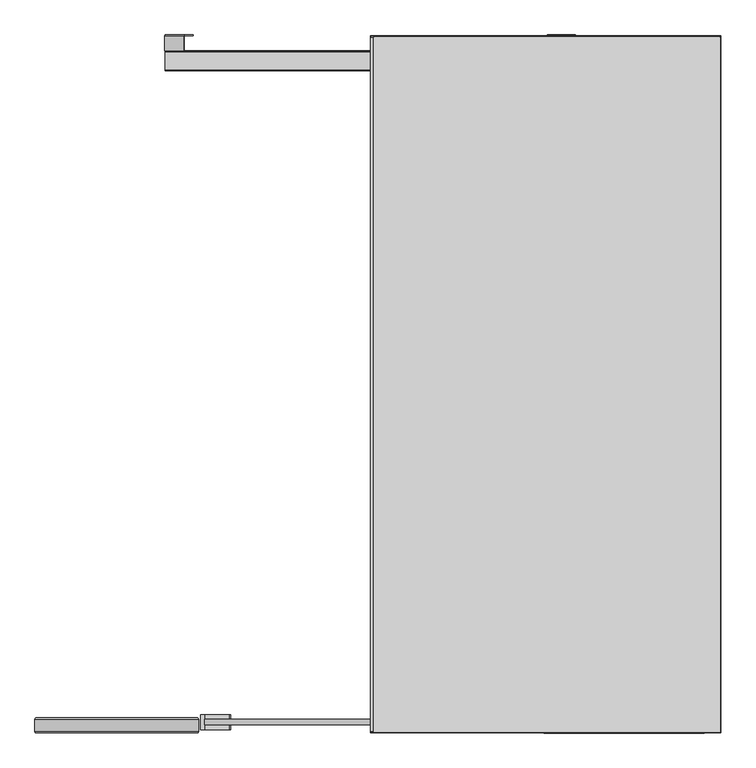
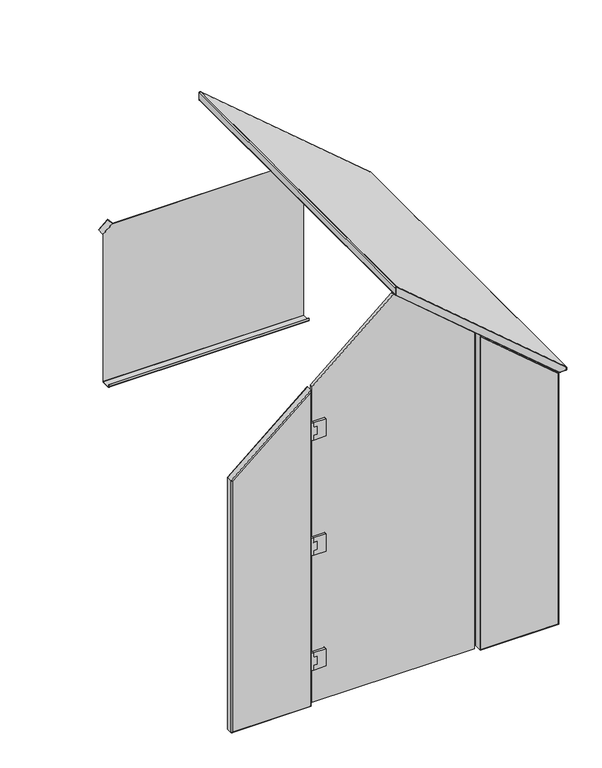
"""IFC4 building model written with IfcOpenShell, lengths in millimetres: furniture geometry."""

from ifc_helpers import new_model, si_unit, point, frame, frame_2d, origin, place, context, project, spatial, polyline, circle_curve, ellipse_curve, trimmed, segment, composite_curve, outline, extrude, source, transform, mapped, element, save
from ifc_brep_helpers import plane_surface, cylinder_surface, revolved_surface, advanced_brep


def furniture_7097f155(model_context):
    return source(origin(), model_context, "Body", "SolidModel", [
        extrude(outline(polyline([(1634.1839722, 494.999982), (1634.1839722, 485.000011), (1534.1839714, 485.000011), (1534.1839714, 494.999982), (1561.0249566, 494.999982), (1561.0249566, 514.049982), (1607.2315915, 514.049982), (1607.2315915, 494.999982), (1634.1839722, 494.999982)])), frame((0.0, -1861.05588, 0.0), z_axis=(0.0, 1.0, 0.0), x_axis=(0.0, 0.0, 1.0)), (0.0, 0.0, 1.0), 39.6999023),
        extrude(outline(composite_curve([segment(polyline([(1634.1839722, 495.6699629), (1607.3429688, 495.6699629), (1607.3429688, 514.9372272), (1561.0249566, 514.9372272), (1561.0249566, 495.4769877), (1534.1839714, 495.4769877), (1534.1839714, 562.9561634)]), True, "CONTINUOUS"), segment(trimmed(circle_curve(frame_2d((1536.227805, 562.9561634)), 2.0438336), [point((1534.1839714, 562.9561634))], [point((1536.227805, 564.999997))], False, "CARTESIAN"), True, "CONTINUOUS"), segment(polyline([(1536.227805, 564.999997), (1632.2628707, 564.999997)]), True, "CONTINUOUS"), segment(trimmed(circle_curve(frame_2d((1632.2628707, 563.0788956)), 1.9211014), [point((1632.2628707, 564.999997))], [point((1634.1839722, 563.0788956))], False, "CARTESIAN"), True, "CONTINUOUS"), segment(polyline([(1634.1839722, 563.0788956), (1634.1839722, 495.6699629)]), True, "CONTINUOUS")], self_intersect=False)), frame((0.0, -1861.05588, 0.0), z_axis=(0.0, 1.0, 0.0), x_axis=(0.0, 0.0, 1.0)), (0.0, 0.0, 1.0), 39.6999023),
        extrude(outline(polyline([(967.0839935, 494.999982), (967.0839935, 485.000011), (867.0839928, 485.000011), (867.0839928, 494.999982), (893.924978, 494.999982), (893.924978, 514.049982), (940.1316129, 514.049982), (940.1316129, 494.999982), (967.0839935, 494.999982)])), frame((0.0, -1861.05588, 0.0), z_axis=(0.0, 1.0, 0.0), x_axis=(0.0, 0.0, 1.0)), (0.0, 0.0, 1.0), 39.6999023),
        extrude(outline(composite_curve([segment(polyline([(967.0839935, 495.6699629), (940.2429902, 495.6699629), (940.2429902, 514.9372272), (893.924978, 514.9372272), (893.924978, 495.4769877), (867.0839928, 495.4769877), (867.0839928, 562.9561634)]), True, "CONTINUOUS"), segment(trimmed(circle_curve(frame_2d((869.1278264, 562.9561634)), 2.0438336), [point((867.0839928, 562.9561634))], [point((869.1278264, 564.999997))], False, "CARTESIAN"), True, "CONTINUOUS"), segment(polyline([(869.1278264, 564.999997), (965.1628921, 564.999997)]), True, "CONTINUOUS"), segment(trimmed(circle_curve(frame_2d((965.1628921, 563.0788956)), 1.9211014), [point((965.1628921, 564.999997))], [point((967.0839935, 563.0788956))], False, "CARTESIAN"), True, "CONTINUOUS"), segment(polyline([(967.0839935, 563.0788956), (967.0839935, 495.6699629)]), True, "CONTINUOUS")], self_intersect=False)), frame((0.0, -1861.05588, 0.0), z_axis=(0.0, 1.0, 0.0), x_axis=(0.0, 0.0, 1.0)), (0.0, 0.0, 1.0), 39.6999023),
        extrude(outline(polyline([(300.7840024, 494.999982), (300.7840024, 485.000011), (200.7840016, 485.000011), (200.7840016, 494.999982), (227.6249868, 494.999982), (227.6249868, 514.049982), (273.8316217, 514.049982), (273.8316217, 494.999982), (300.7840024, 494.999982)])), frame((0.0, -1861.05588, 0.0), z_axis=(0.0, 1.0, 0.0), x_axis=(0.0, 0.0, 1.0)), (0.0, 0.0, 1.0), 39.6999023),
        extrude(outline(composite_curve([segment(polyline([(300.7840024, 495.6699629), (273.942999, 495.6699629), (273.942999, 514.9372272), (227.6249868, 514.9372272), (227.6249868, 495.4769877), (200.7840016, 495.4769877), (200.7840016, 562.9561634)]), True, "CONTINUOUS"), segment(trimmed(circle_curve(frame_2d((202.8278352, 562.9561634)), 2.0438336), [point((200.7840016, 562.9561634))], [point((202.8278352, 564.999997))], False, "CARTESIAN"), True, "CONTINUOUS"), segment(polyline([(202.8278352, 564.999997), (298.862901, 564.999997)]), True, "CONTINUOUS"), segment(trimmed(circle_curve(frame_2d((298.862901, 563.0788956)), 1.9211014), [point((298.862901, 564.999997))], [point((300.7840024, 563.0788956))], False, "CARTESIAN"), True, "CONTINUOUS"), segment(polyline([(300.7840024, 563.0788956), (300.7840024, 495.6699629)]), True, "CONTINUOUS")], self_intersect=False)), frame((0.0, -1861.05588, 0.0), z_axis=(0.0, 1.0, 0.0), x_axis=(0.0, 0.0, 1.0)), (0.0, 0.0, 1.0), 39.6999023),
        extrude(outline(polyline([(1837.0140335, 495.4769877), (5.7679999, 495.4769877), (5.7679999, 1385.0000542), (1836.6070816, 1385.0000542), (2216.4800995, 940.0001877), (1837.0140335, 495.4769877)])), frame((0.0, -1848.705035, 0.0), z_axis=(0.0, 1.0, 0.0), x_axis=(0.0, 0.0, 1.0)), (0.0, 0.0, 1.0), 15.0410877),
        advanced_brep(
        [(1831.5524425, -1833.64016, 1456.7960191), (1835.5211925, -1829.67141, 1458.6340644), (1835.5211925, -1829.67141, 3.96875), (1831.5524425, -1833.64016, 7.9375), (1831.5524425, -1866.18391, 1456.7960191), (1831.5524425, -1866.18391, 7.9375), (1835.5211925, -1870.15266, 1458.6340644), (1835.5211925, -1870.15266, 3.96875), (1405.0003718, -1829.67141, 3.96875), (1408.9691218, -1833.64016, 7.9375), (1408.9691218, -1866.18391, 7.9375), (1405.0003718, -1870.15266, 3.96875), (1405.0003718, -1829.67141, 1823.735859), (1408.9691218, -1833.64016, 1815.1664424), (1408.9691218, -1866.18391, 1815.1664424), (1405.0003718, -1870.15266, 1823.735859)],
        [
            (0, 1, ellipse_curve(frame((1835.5211925, -1833.64016, 1458.6340644), z_axis=(0.4202480388981601, 0.0, -0.9074092713887435), x_axis=(0.9074092713887433, 0.0, 0.42024803889816065)), 4.3737155, 3.96875)),
            (1, 2),
            (2, 3, ellipse_curve(frame((1835.5211925, -1833.64016, 3.96875), z_axis=(0.7071067811865481, 0.0, 0.7071067811865469), x_axis=(-0.7071067811865469, 0.0, 0.707106781186548)), 5.6126601, 3.96875)),
            (3, 0),
            (4, 0),
            (3, 5),
            (5, 4),
            (6, 4, ellipse_curve(frame((1835.5211925, -1866.18391, 1458.6340644), z_axis=(0.4202480388981601, 0.0, -0.9074092713887435), x_axis=(0.9074092713887433, 0.0, 0.42024803889816065)), 4.3737155, 3.96875)),
            (5, 7, ellipse_curve(frame((1835.5211925, -1866.18391, 3.96875), z_axis=(0.7071067811865481, 0.0, 0.7071067811865469), x_axis=(-0.7071067811865469, 0.0, 0.707106781186548)), 5.6126601, 3.96875)),
            (7, 6),
            (1, 6),
            (7, 2),
            (2, 8),
            (8, 9, ellipse_curve(frame((1405.0003718, -1833.64016, 3.96875), z_axis=(0.7071067811865464, 0.0, -0.7071067811865487), x_axis=(0.7071067811865488, 0.0, 0.7071067811865464)), 5.6126601, 3.96875)),
            (9, 3),
            (9, 10),
            (10, 5),
            (10, 11, ellipse_curve(frame((1405.0003718, -1866.18391, 3.96875), z_axis=(0.7071067811865464, 0.0, -0.7071067811865487), x_axis=(0.7071067811865488, 0.0, 0.7071067811865464)), 5.6126601, 3.96875)),
            (11, 7),
            (11, 8),
            (8, 12),
            (12, 13, ellipse_curve(frame((1405.0003718, -1833.64016, 1823.735859), z_axis=(-0.9074092713887442, 0.0, -0.42024803889815926), x_axis=(0.4202480388981593, 0.0, -0.9074092713887438)), 9.4438275, 3.96875)),
            (13, 9),
            (13, 14),
            (14, 10),
            (14, 15, ellipse_curve(frame((1405.0003718, -1866.18391, 1823.735859), z_axis=(-0.9074092713887442, 0.0, -0.42024803889815926), x_axis=(0.4202480388981593, 0.0, -0.9074092713887438)), 9.4438275, 3.96875)),
            (15, 11),
            (15, 12),
            (12, 1),
            (0, 13),
            (4, 14),
            (6, 15),
        ],
        [
            cylinder_surface(frame((1835.5211925, -1833.64016, 1458.6340644), z_axis=(0.0, 0.0, 1.0), x_axis=(1.0, 0.0, 0.0)), 3.96875),
            plane_surface(frame((1831.5524425, -1833.64016, 1456.7960191), z_axis=(-1.0, 0.0, 0.0), x_axis=(0.0, 0.0, -1.0))),
            cylinder_surface(frame((1835.5211925, -1866.18391, 1458.6340644), z_axis=(0.0, 0.0, 1.0), x_axis=(1.0, 0.0, 0.0)), 3.96875),
            plane_surface(frame((1835.5211925, -1870.15266, 1458.6340644), z_axis=(1.0, 0.0, 0.0), x_axis=(0.0, 0.0, -1.0))),
            cylinder_surface(frame((1835.5211925, -1833.64016, 3.96875), z_axis=(1.0, 0.0, 0.0), x_axis=(0.0, 0.0, -1.0)), 3.96875),
            plane_surface(frame((1831.5524425, -1833.64016, 7.9375), z_axis=(0.0, 0.0, 1.0), x_axis=(-1.0, 0.0, 0.0))),
            cylinder_surface(frame((1835.5211925, -1866.18391, 3.96875), z_axis=(1.0, 0.0, 0.0), x_axis=(0.0, 0.0, -1.0)), 3.96875),
            plane_surface(frame((1835.5211925, -1870.15266, 3.96875), z_axis=(0.0, 0.0, -1.0), x_axis=(-1.0, 0.0, 0.0))),
            cylinder_surface(frame((1405.0003718, -1833.64016, 3.96875), z_axis=(0.0, 0.0, -1.0), x_axis=(-1.0, 0.0, 0.0)), 3.96875),
            plane_surface(frame((1408.9691218, -1833.64016, 7.9375), z_axis=(1.0, 0.0, 0.0), x_axis=(0.0, 0.0, 1.0))),
            cylinder_surface(frame((1405.0003718, -1866.18391, 3.96875), z_axis=(0.0, 0.0, -1.0), x_axis=(-1.0, 0.0, 0.0)), 3.96875),
            plane_surface(frame((1405.0003718, -1870.15266, 3.96875), z_axis=(-1.0, 0.0, 0.0), x_axis=(0.0, 0.0, 1.0))),
            cylinder_surface(frame((1405.0003718, -1833.64016, 1823.735859), z_axis=(-0.7626739335582567, 0.0, 0.6467831716044999), x_axis=(0.6467831716044999, 0.0, 0.7626739335582567)), 3.96875),
            plane_surface(frame((1408.9691218, -1833.64016, 1815.1664424), z_axis=(-0.6467831716044992, 0.0, -0.7626739335582572), x_axis=(0.7626739335582572, 0.0, -0.6467831716044992))),
            cylinder_surface(frame((1405.0003718, -1866.18391, 1823.735859), z_axis=(-0.7626739335582567, 0.0, 0.6467831716044999), x_axis=(0.6467831716044999, 0.0, 0.7626739335582567)), 3.96875),
            plane_surface(frame((1405.0003718, -1870.15266, 1823.735859), z_axis=(0.6467831716044995, 0.0, 0.7626739335582571), x_axis=(0.7626739335582571, 0.0, -0.6467831716044995))),
        ],
        [
            (0, [[1, 2, 3, 4]]),
            (1, [[5, -4, 6, 7]]),
            (2, [[8, -7, 9, 10]]),
            (3, [[11, -10, 12, -2]]),
            (4, [[-3, 13, 14, 15]]),
            (5, [[-6, -15, 16, 17]]),
            (6, [[-9, -17, 18, 19]]),
            (7, [[-12, -19, 20, -13]]),
            (8, [[-14, 21, 22, 23]]),
            (9, [[-16, -23, 24, 25]]),
            (10, [[-18, -25, 26, 27]]),
            (11, [[-20, -27, 28, -21]]),
            (12, [[-22, 29, -1, 30]]),
            (13, [[-24, -30, -5, 31]]),
            (14, [[-26, -31, -8, 32]]),
            (15, [[-28, -32, -11, -29]]),
        ],
    ),
        extrude(outline(polyline([(3.96875, 1405.0003718), (3.96875, 1835.5211925), (1458.6340644, 1835.5211925), (1823.735859, 1405.0003718), (3.96875, 1405.0003718)])), frame((0.0, -1870.15266, 0.0), z_axis=(0.0, 1.0, 0.0), x_axis=(0.0, 0.0, 1.0)), (0.0, 0.0, 1.0), 40.48125),
        advanced_brep(
        [(40.5104329, -1833.64016, 1460.4721098), (44.4791829, -1829.67141, 1458.6340644), (44.4791829, -1829.67141, 3.96875), (40.5104329, -1833.64016, 0.0), (40.5104329, -1866.18391, 0.0), (40.5104329, -1866.18391, 1460.4721098), (44.4791829, -1870.15266, 3.96875), (44.4791829, -1870.15266, 1458.6340644), (475.0000036, -1829.67141, 3.96875), (478.9687536, -1833.64016, 0.0), (478.9687536, -1866.18391, 0.0), (475.0000036, -1870.15266, 3.96875), (475.0000036, -1829.67141, 1823.735859), (478.9687536, -1833.64016, 1832.3052757), (478.9687536, -1866.18391, 1832.3052757), (475.0000036, -1870.15266, 1823.735859)],
        [
            (0, 1, ellipse_curve(frame((44.4791829, -1833.64016, 1458.6340644), z_axis=(-0.42024803889816337, 0.0, -0.907409271388742), x_axis=(-0.907409271388742, 0.0, 0.42024803889816376)), 4.3737155, 3.96875)),
            (1, 2),
            (2, 3, ellipse_curve(frame((44.4791829, -1833.64016, 3.96875), z_axis=(-0.7071067811865452, 0.0, 0.7071067811865497), x_axis=(0.7071067811865496, 0.0, 0.7071067811865456)), 5.6126601, 3.96875)),
            (3, 0),
            (3, 4),
            (4, 5),
            (5, 0),
            (4, 6, ellipse_curve(frame((44.4791829, -1866.18391, 3.96875), z_axis=(-0.7071067811865452, 0.0, 0.7071067811865497), x_axis=(0.7071067811865496, 0.0, 0.7071067811865456)), 5.6126601, 3.96875)),
            (6, 7),
            (7, 5, ellipse_curve(frame((44.4791829, -1866.18391, 1458.6340644), z_axis=(-0.42024803889816337, 0.0, -0.907409271388742), x_axis=(-0.907409271388742, 0.0, 0.42024803889816376)), 4.3737155, 3.96875)),
            (2, 8),
            (8, 9, ellipse_curve(frame((475.0000036, -1833.64016, 3.96875), z_axis=(-0.7071067811865491, 0.0, -0.7071067811865458), x_axis=(-0.707106781186546, 0.0, 0.7071067811865489)), 5.6126601, 3.96875)),
            (9, 3),
            (9, 10),
            (10, 4),
            (10, 11, ellipse_curve(frame((475.0000036, -1866.18391, 3.96875), z_axis=(-0.7071067811865491, 0.0, -0.7071067811865458), x_axis=(-0.707106781186546, 0.0, 0.7071067811865489)), 5.6126601, 3.96875)),
            (11, 6),
            (8, 12),
            (12, 13, ellipse_curve(frame((475.0000036, -1833.64016, 1823.735859), z_axis=(0.9074092713887425, 0.0, -0.4202480388981626), x_axis=(-0.42024803889816265, 0.0, -0.9074092713887425)), 9.4438275, 3.96875)),
            (13, 9),
            (13, 14),
            (14, 10),
            (14, 15, ellipse_curve(frame((475.0000036, -1866.18391, 1823.735859), z_axis=(0.9074092713887425, 0.0, -0.4202480388981626), x_axis=(-0.42024803889816265, 0.0, -0.9074092713887425)), 9.4438275, 3.96875)),
            (15, 11),
            (0, 13),
            (12, 1),
            (5, 14),
            (7, 15),
        ],
        [
            cylinder_surface(frame((44.4791829, -1833.64016, 1458.6340644), z_axis=(0.0, 0.0, 1.0), x_axis=(1.0, 0.0, 0.0)), 3.96875),
            plane_surface(frame((40.5104329, -1833.64016, 1460.4721098), z_axis=(-1.0, 0.0, 0.0), x_axis=(0.0, 0.0, -1.0))),
            cylinder_surface(frame((44.4791829, -1866.18391, 1458.6340644), z_axis=(0.0, 0.0, 1.0), x_axis=(1.0, 0.0, 0.0)), 3.96875),
            cylinder_surface(frame((44.4791829, -1833.64016, 3.96875), z_axis=(-1.0, 0.0, 0.0), x_axis=(0.0, 0.0, 1.0)), 3.96875),
            plane_surface(frame((40.5104329, -1833.64016, 0.0), z_axis=(0.0, 0.0, -1.0), x_axis=(1.0, 0.0, 0.0))),
            cylinder_surface(frame((44.4791829, -1866.18391, 3.96875), z_axis=(-1.0, 0.0, 0.0), x_axis=(0.0, 0.0, 1.0)), 3.96875),
            cylinder_surface(frame((475.0000036, -1833.64016, 3.96875), z_axis=(0.0, 0.0, -1.0), x_axis=(-1.0, 0.0, 0.0)), 3.96875),
            plane_surface(frame((478.9687536, -1833.64016, 0.0), z_axis=(1.0, 0.0, 0.0), x_axis=(0.0, 0.0, 1.0))),
            cylinder_surface(frame((475.0000036, -1866.18391, 3.96875), z_axis=(0.0, 0.0, -1.0), x_axis=(-1.0, 0.0, 0.0)), 3.96875),
            cylinder_surface(frame((475.0000036, -1833.64016, 1823.735859), z_axis=(0.762673933558259, 0.0, 0.646783171604497), x_axis=(0.646783171604497, 0.0, -0.762673933558259)), 3.96875),
            plane_surface(frame((478.9687536, -1833.64016, 1832.3052757), z_axis=(-0.646783171604497, 0.0, 0.7626739335582591), x_axis=(-0.7626739335582591, 0.0, -0.646783171604497))),
            cylinder_surface(frame((475.0000036, -1866.18391, 1823.735859), z_axis=(0.762673933558259, 0.0, 0.646783171604497), x_axis=(0.646783171604497, 0.0, -0.762673933558259)), 3.96875),
            plane_surface(frame((475.0000036, -1870.15266, 1819.151025), z_axis=(0.0, -1.0, 0.0), x_axis=(0.0, 0.0, 1.0))),
            plane_surface(frame((475.0000036, -1829.67141, 1819.151025), z_axis=(0.0, 1.0, 0.0), x_axis=(0.0, 0.0, -1.0))),
        ],
        [
            (0, [[1, 2, 3, 4]]),
            (1, [[-4, 5, 6, 7]]),
            (2, [[-6, 8, 9, 10]]),
            (3, [[-3, 11, 12, 13]]),
            (4, [[-5, -13, 14, 15]]),
            (5, [[-8, -15, 16, 17]]),
            (6, [[-12, 18, 19, 20]]),
            (7, [[-14, -20, 21, 22]]),
            (8, [[-16, -22, 23, 24]]),
            (9, [[-1, 25, -19, 26]]),
            (10, [[-7, 27, -21, -25]]),
            (11, [[-10, 28, -23, -27]]),
            (12, [[-9, -17, -24, -28]]),
            (13, [[-2, -26, -18, -11]]),
        ],
    ),
        extrude(outline(composite_curve([segment(polyline([(-36.4707599, 0.0), (3.678289, 0.0), (3.678289, -1.4997449), (-37.4999996, -1.4997449), (-37.4999996, -40.0002693), (-38.9999996, -40.0002693), (-38.9999996, -2.5292398)]), True, "CONTINUOUS"), segment(trimmed(circle_curve(frame_2d((-36.4707599, -2.5292398)), 2.5292397), [point((-38.9999996, -2.5292398))], [point((-36.4707599, 0.0))], False, "CARTESIAN"), True, "CONTINUOUS")], self_intersect=False)), frame((1490.9670326, -38.9999996, 1663.236993), z_axis=(-0.7626676388941575, 0.0, 0.6467905940747832), x_axis=(0.0, -1.0, 0.0)), (0.0, 0.0, 1.0), 65.5591678),
        advanced_brep(
        [(1490.0000404, -95.6782875, 821.5000019), (1490.0000404, -95.6782875, 809.0011499), (1490.0000404, -93.177183, 806.5000454), (1490.0000404, -45.1482143, 806.5000454), (1490.0000404, -42.6782886, 808.9699711), (1490.0000404, -42.6782886, 1662.0972421), (1490.0000404, -44.178285, 1662.0972421), (1490.0000404, -44.178285, 808.9990848), (1490.0000404, -45.1791015, 808.0000265), (1490.0000404, -93.2107923, 808.0000265), (1490.0000404, -94.1782792, 808.9675133), (1490.0000404, -94.1782792, 821.5000019), (390.000335, -95.6782875, 821.5000019), (390.000335, -94.1782792, 821.5000019), (390.000335, -94.1782792, 808.9675133), (390.000335, -93.2107923, 808.0000265), (390.000335, -45.1791015, 808.0000265), (390.000335, -44.178285, 808.9990848), (390.000335, -44.178285, 1662.0972421), (390.000335, -42.6782886, 1662.0972421), (390.000335, -42.6782886, 808.9699711), (390.000335, -45.1482143, 806.5000454), (390.000335, -93.177183, 806.5000454), (390.000335, -95.6782875, 809.0011499), (442.8367114, -42.6782886, 1706.4322261), (1437.163664, -42.6782886, 1706.4322261), (1437.163664, -44.178285, 1706.4322261), (442.8367114, -44.178285, 1706.4322261)],
        [
            (0, 1),
            (1, 2, circle_curve(frame((1490.0000404, -93.177183, 809.0011499), z_axis=(1.0, 0.0, 0.0), x_axis=(0.0, -1.0, 0.0)), 2.5011045)),
            (2, 3),
            (3, 4, circle_curve(frame((1490.0000404, -45.1482143, 808.9699711), z_axis=(1.0, 0.0, 0.0), x_axis=(0.0, -1.0, 0.0)), 2.4699257)),
            (4, 5),
            (5, 6),
            (6, 7),
            (7, 8, circle_curve(frame((1490.0000404, -45.1791015, 809.0008445), z_axis=(-1.0, 0.0, 0.0), x_axis=(0.0, -1.0, 0.0)), 1.000818)),
            (8, 9),
            (9, 10, circle_curve(frame((1490.0000404, -93.2107923, 808.9675133), z_axis=(-1.0, 0.0, 0.0), x_axis=(0.0, -1.0, 0.0)), 0.9674868)),
            (10, 11),
            (11, 0),
            (12, 13),
            (13, 14),
            (14, 15, circle_curve(frame((390.000335, -93.2107923, 808.9675133), z_axis=(1.0, 0.0, 0.0), x_axis=(0.0, -1.0, 0.0)), 0.9674868)),
            (15, 16),
            (16, 17, circle_curve(frame((390.000335, -45.1791015, 809.0008445), z_axis=(1.0, 0.0, 0.0), x_axis=(0.0, -1.0, 0.0)), 1.000818)),
            (17, 18),
            (18, 19),
            (19, 20),
            (20, 21, circle_curve(frame((390.000335, -45.1482143, 808.9699711), z_axis=(-1.0, 0.0, 0.0), x_axis=(0.0, -1.0, 0.0)), 2.4699257)),
            (21, 22),
            (22, 23, circle_curve(frame((390.000335, -93.177183, 809.0011499), z_axis=(-1.0, 0.0, 0.0), x_axis=(0.0, -1.0, 0.0)), 2.5011045)),
            (23, 12),
            (0, 12),
            (23, 1),
            (22, 2),
            (21, 3),
            (20, 4),
            (19, 24),
            (24, 25),
            (25, 5),
            (6, 26),
            (26, 27),
            (27, 18),
            (17, 7),
            (16, 8),
            (15, 9),
            (14, 10),
            (13, 11),
            (25, 26),
            (24, 27),
        ],
        [
            plane_surface(frame((1490.0000404, -95.6782875, 821.5000019), z_axis=(1.0, 0.0, 0.0), x_axis=(0.0, 0.0, -1.0))),
            plane_surface(frame((390.000335, -95.6782875, 821.5000019), z_axis=(-1.0, 0.0, 0.0), x_axis=(0.0, 0.0, 1.0))),
            plane_surface(frame((1490.0000404, -95.6782875, 821.5000019), z_axis=(0.0, -1.0, 0.0), x_axis=(-1.0, 0.0, 0.0))),
            cylinder_surface(frame((390.000335, -93.177183, 809.0011499), z_axis=(1.0, 0.0, 0.0), x_axis=(0.0, -1.0, 0.0)), 2.5011045),
            plane_surface(frame((1490.0000404, -93.177183, 806.5000454), z_axis=(0.0, 0.0, -1.0), x_axis=(-1.0, 0.0, 0.0))),
            cylinder_surface(frame((390.000335, -45.1482143, 808.9699711), z_axis=(1.0, 0.0, 0.0), x_axis=(0.0, -1.0, 0.0)), 2.4699257),
            plane_surface(frame((1490.0000404, -42.6782886, 808.9699711), z_axis=(0.0, 1.0, 0.0), x_axis=(-1.0, 0.0, 0.0))),
            plane_surface(frame((1490.0000404, -44.178285, 1582.3692085), z_axis=(0.0, -1.0, 0.0), x_axis=(-1.0, 0.0, 0.0))),
            revolved_surface(polyline([(390.000335, -46.179919500000004, 809.0008445), (1490.0000404, -46.179919500000004, 809.0008445)]), (390.000335, -45.1791015, 809.0008445), (-1.0, 0.0, 0.0)),
            plane_surface(frame((1490.0000404, -45.1791015, 808.0000265), z_axis=(0.0, 0.0, 1.0), x_axis=(-1.0, 0.0, 0.0))),
            revolved_surface(polyline([(390.000335, -94.1782791, 808.9675133), (1490.0000404, -94.1782791, 808.9675133)]), (390.000335, -93.2107923, 808.9675133), (-1.0, 0.0, 0.0)),
            plane_surface(frame((1490.0000404, -94.1782792, 808.9675133), z_axis=(0.0, 1.0, 0.0), x_axis=(-1.0, 0.0, 0.0))),
            plane_surface(frame((1490.0000404, -94.1782792, 821.5000019), z_axis=(0.0, 0.0, 1.0), x_axis=(-1.0, 0.0, 0.0))),
            plane_surface(frame((1490.0000404, -44.178285, 1662.0972421), z_axis=(0.6427876096865427, 0.0, 0.7660444431189752), x_axis=(0.0, 1.0, 0.0))),
            plane_surface(frame((1437.163664, -44.178285, 1706.4322261), z_axis=(0.0, 0.0, 1.0), x_axis=(0.0, 1.0, 0.0))),
            plane_surface(frame((442.8367114, -44.178285, 1706.4322261), z_axis=(-0.642787609686538, 0.0, 0.7660444431189791), x_axis=(0.0, 1.0, 0.0))),
        ],
        [
            (0, [[1, 2, 3, 4, 5, 6, 7, 8, 9, 10, 11, 12]]),
            (1, [[13, 14, 15, 16, 17, 18, 19, 20, 21, 22, 23, 24]]),
            (2, [[-1, 25, -24, 26]]),
            (3, [[-2, -26, -23, 27]]),
            (4, [[-3, -27, -22, 28]]),
            (5, [[-4, -28, -21, 29]]),
            (6, [[-5, -29, -20, 30, 31, 32]]),
            (7, [[-7, 33, 34, 35, -18, 36]]),
            (8, [[-8, -36, -17, 37]]),
            (9, [[-9, -37, -16, 38]]),
            (10, [[-10, -38, -15, 39]]),
            (11, [[-11, -39, -14, 40]]),
            (12, [[-12, -40, -13, -25]]),
            (13, [[-33, -6, -32, 41]]),
            (14, [[-34, -41, -31, 42]]),
            (15, [[-35, -42, -30, -19]]),
        ],
    ),
        extrude(outline(composite_curve([segment(trimmed(circle_curve(frame_2d((-1e-07, -2.5292397)), 2.5292397), [point((-0.8879249, -4.8974971))], [point((-2.3682574, -1.6413149))], False, "CARTESIAN"), True, "CONTINUOUS"), segment(polyline([(-2.3682574, -1.6413149), (10.7864699, 33.4447394), (12.1909971, 32.9181435), (-1.3251487, -3.1318798), (37.2322031, -17.5880921), (36.7056967, -18.9923805), (-0.8879249, -4.8974971)]), True, "CONTINUOUS")], self_intersect=False)), frame((392.2009979, -1.6413149, 1659.5018304), z_axis=(0.7626676388941576, 0.0, 0.6467905940747832), x_axis=(0.22706485489941639, -0.9363514881670969, -0.26774510691471115)), (0.0, 0.0, 1.0), 65.5591678),
        advanced_brep(
        [(1876.9546715, -2.2152498, 1478.4500314), (1877.9745516, -2.2152498, 1476.2476814), (1877.9745516, -2.2152498, 1463.9687321), (1876.0316254, -2.2152498, 1462.0258058), (1842.2267924, -2.2152498, 1462.0258058), (1839.6136683, -2.2152498, 1462.9847503), (943.2808232, -2.2152498, 2223.2240894), (942.026163, -2.2152498, 2225.9334278), (942.026163, -2.2152498, 2264.8850275), (947.0138488, -2.2152498, 2267.1947612), (1880.0003754, -4.2410736, 1476.2476814), (1878.2650479, -4.2410736, 1479.994983), (1878.2650479, -6.1839998, 1479.994983), (1880.0003754, -6.1839998, 1476.2476814), (1880.0003754, -1866.18391, 1476.2476814), (1880.0003754, -1868.1268362, 1476.2476814), (1880.0003754, -1868.1268362, 1463.9687321), (1880.0003754, -1866.18391, 1463.9687321), (1880.0003754, -6.1839998, 1463.9687321), (1880.0003754, -4.2410736, 1463.9687321), (1876.0316254, -6.1839998, 1459.9999821), (1876.0316254, -4.2410736, 1459.9999821), (1876.0316254, -1866.18391, 1459.9999821), (1876.0316254, -1868.1268362, 1459.9999821), (1842.2267924, -1868.1268362, 1459.9999821), (1842.2267924, -1866.18391, 1459.9999821), (1842.2267924, -6.1839998, 1459.9999821), (1842.2267924, -4.2410736, 1459.9999821), (1838.3032921, -6.1839998, 1461.4397984), (1838.3032921, -4.2410736, 1461.4397984), (1838.3032921, -1866.18391, 1461.4397984), (1838.3032921, -1868.1268362, 1461.4397984), (941.970447, -1868.1268362, 2221.6791375), (941.970447, -1866.18391, 2221.6791375), (941.970447, -6.1839998, 2221.6791375), (941.970447, -4.2410736, 2221.6791375), (940.0003392, -6.1839998, 2225.9334278), (940.0003392, -4.2410736, 2225.9334278), (940.0003392, -1866.18391, 2225.9334278), (940.0003392, -1868.1268362, 2225.9334278), (940.0003392, -1868.1268362, 2264.8850275), (940.0003392, -1866.18391, 2264.8850275), (940.0003392, -6.1839998, 2264.8850275), (940.0003392, -4.2410736, 2264.8850275), (948.3242252, -6.1839998, 2268.7397128), (948.3242252, -4.2410736, 2268.7397128), (948.3242252, -1866.18391, 2268.7397128), (948.3242252, -1868.1268362, 2268.7397128), (1878.2650479, -1868.1268362, 1479.994983), (1878.2650479, -1866.18391, 1479.994983), (1876.9546715, -1870.15266, 1478.4500314), (1877.9745516, -1870.15266, 1476.2476814), (1877.9745516, -1870.15266, 1463.9687321), (1876.0316254, -1870.15266, 1462.0258058), (1842.2267924, -1870.15266, 1462.0258058), (1839.6136683, -1870.15266, 1462.9847503), (943.2808232, -1870.15266, 2223.2240894), (942.026163, -1870.15266, 2225.9334278), (942.026163, -1870.15266, 2264.8850275), (947.0138488, -1870.15266, 2267.1947612)],
        [
            (0, 1, circle_curve(frame((1875.0867119, -2.2152498, 1476.2476814), z_axis=(0.0, 1.0, 0.0), x_axis=(0.6468363156287517, 0.0, 0.7626288617563736)), 2.8878397)),
            (1, 2),
            (2, 3, circle_curve(frame((1876.0316254, -2.2152498, 1463.9687321), z_axis=(0.0, 1.0, 0.0), x_axis=(1.0, 0.0, 0.0)), 1.9429262)),
            (3, 4),
            (4, 5, circle_curve(frame((1842.2267924, -2.2152498, 1466.0656603), z_axis=(0.0, 1.0, 0.0), x_axis=(0.0, 0.0, -1.0)), 4.0398545)),
            (5, 6),
            (6, 7, circle_curve(frame((945.5787928, -2.2152498, 2225.9334278), z_axis=(0.0, 1.0, 0.0), x_axis=(-0.6468362032030742, 0.0, -0.762628957112062)), 3.5526298)),
            (7, 8),
            (8, 9, circle_curve(frame((945.05481, -2.2152498, 2264.8850275), z_axis=(0.0, 1.0, 0.0), x_axis=(-1.0, 0.0, 0.0)), 3.028647)),
            (9, 0),
            (10, 11, circle_curve(frame((1875.0867119, -4.2410736, 1476.2476814), z_axis=(0.0, -1.0, 0.0), x_axis=(0.6468363156287517, 0.0, 0.7626288617563736)), 4.9136635)),
            (11, 12),
            (12, 13, circle_curve(frame((1875.0867119, -6.1839998, 1476.2476814), z_axis=(0.0, 1.0, 0.0), x_axis=(0.6468363156287517, 0.0, 0.7626288617563736)), 4.9136635)),
            (13, 10),
            (10, 1, circle_curve(frame((1877.9745516, -4.2410736, 1476.2476814), z_axis=(0.0, 0.0, 1.0), x_axis=(-1.0, 0.0, 0.0)), 2.0258238)),
            (0, 11, circle_curve(frame((1876.9546715, -4.2410736, 1478.4500314), z_axis=(0.7626288617563735, 0.0, -0.6468363156287518), x_axis=(-0.6468363156287518, 0.0, -0.7626288617563735)), 2.0258238)),
            (13, 14),
            (14, 15),
            (15, 16),
            (16, 17),
            (17, 18),
            (18, 19),
            (19, 10),
            (19, 2, circle_curve(frame((1877.9745516, -4.2410736, 1463.9687321), z_axis=(0.0, 0.0, 1.0), x_axis=(-1.0, 0.0, 0.0)), 2.0258238)),
            (18, 20, circle_curve(frame((1876.0316254, -6.1839998, 1463.9687321), z_axis=(0.0, 1.0, 0.0), x_axis=(1.0, 0.0, 0.0)), 3.96875)),
            (20, 21),
            (21, 19, circle_curve(frame((1876.0316254, -4.2410736, 1463.9687321), z_axis=(0.0, -1.0, 0.0), x_axis=(1.0, 0.0, 0.0)), 3.96875)),
            (21, 3, circle_curve(frame((1876.0316254, -4.2410736, 1462.0258058), z_axis=(1.0, 0.0, 0.0), x_axis=(0.0, 0.0, 1.0)), 2.0258238)),
            (20, 22),
            (22, 23),
            (23, 24),
            (24, 25),
            (25, 26),
            (26, 27),
            (27, 21),
            (27, 4, circle_curve(frame((1842.2267924, -4.2410736, 1462.0258058), z_axis=(1.0, 0.0, 0.0), x_axis=(0.0, 0.0, 1.0)), 2.0258238)),
            (26, 28, circle_curve(frame((1842.2267924, -6.1839998, 1466.0656603), z_axis=(0.0, 1.0, 0.0), x_axis=(0.0, 0.0, -1.0)), 6.0656783)),
            (28, 29),
            (29, 27, circle_curve(frame((1842.2267924, -4.2410736, 1466.0656603), z_axis=(0.0, -1.0, 0.0), x_axis=(0.0, 0.0, -1.0)), 6.0656783)),
            (29, 5, circle_curve(frame((1839.6136683, -4.2410736, 1462.9847503), z_axis=(0.7626289571120105, 0.0, -0.6468362032031348), x_axis=(0.6468362032031348, 0.0, 0.7626289571120105)), 2.0258238)),
            (28, 30),
            (30, 31),
            (31, 32),
            (32, 33),
            (33, 34),
            (34, 35),
            (35, 29),
            (35, 6, circle_curve(frame((943.2808232, -4.2410736, 2223.2240894), z_axis=(0.7626289571120237, 0.0, -0.6468362032031195), x_axis=(0.6468362032031195, 0.0, 0.7626289571120237)), 2.0258238)),
            (34, 36, circle_curve(frame((945.5787928, -6.1839998, 2225.9334278), z_axis=(0.0, 1.0, 0.0), x_axis=(-0.6468362032030742, 0.0, -0.762628957112062)), 5.5784536)),
            (36, 37),
            (37, 35, circle_curve(frame((945.5787928, -4.2410736, 2225.9334278), z_axis=(0.0, -1.0, 0.0), x_axis=(-0.6468362032030742, 0.0, -0.762628957112062)), 5.5784536)),
            (37, 7, circle_curve(frame((942.026163, -4.2410736, 2225.9334278), z_axis=(0.0, 0.0, -1.0), x_axis=(1.0, 0.0, 0.0)), 2.0258238)),
            (36, 38),
            (38, 39),
            (39, 40),
            (40, 41),
            (41, 42),
            (42, 43),
            (43, 37),
            (43, 8, circle_curve(frame((942.026163, -4.2410736, 2264.8850275), z_axis=(0.0, 0.0, -1.0), x_axis=(1.0, 0.0, 0.0)), 2.0258238)),
            (42, 44, circle_curve(frame((945.05481, -6.1839998, 2264.8850275), z_axis=(0.0, 1.0, 0.0), x_axis=(-1.0, 0.0, 0.0)), 5.0544708)),
            (44, 45),
            (45, 43, circle_curve(frame((945.05481, -4.2410736, 2264.8850275), z_axis=(0.0, -1.0, 0.0), x_axis=(-1.0, 0.0, 0.0)), 5.0544708)),
            (45, 9, circle_curve(frame((947.0138488, -4.2410736, 2267.1947612), z_axis=(-0.762628861756393, 0.0, 0.6468363156287287), x_axis=(-0.6468363156287287, 0.0, -0.762628861756393)), 2.0258238)),
            (11, 45),
            (44, 46),
            (46, 47),
            (47, 48),
            (48, 49),
            (49, 12),
            (17, 22, circle_curve(frame((1876.0316254, -1866.18391, 1463.9687321), z_axis=(0.0, 1.0, 0.0), x_axis=(-1.0, 0.0, 0.0)), 3.96875)),
            (25, 30, circle_curve(frame((1842.2267924, -1866.18391, 1466.0656603), z_axis=(0.0, 1.0, 0.0), x_axis=(-1.0, 0.0, 0.0)), 6.0656783)),
            (33, 38, circle_curve(frame((945.5787928, -1866.18391, 2225.9334278), z_axis=(0.0, 1.0, 0.0), x_axis=(-1.0, 0.0, 0.0)), 5.5784536)),
            (41, 46, circle_curve(frame((945.05481, -1866.18391, 2264.8850275), z_axis=(0.0, 1.0, 0.0), x_axis=(-1.0, 0.0, 0.0)), 5.0544708)),
            (49, 14, circle_curve(frame((1875.0867119, -1866.18391, 1476.2476814), z_axis=(0.0, 1.0, 0.0), x_axis=(-1.0, 0.0, 0.0)), 4.9136635)),
            (48, 15, circle_curve(frame((1875.0867119, -1868.1268362, 1476.2476814), z_axis=(0.0, 1.0, 0.0), x_axis=(0.6468363156287517, 0.0, 0.7626288617563736)), 4.9136635)),
            (48, 50, circle_curve(frame((1876.9546715, -1868.1268362, 1478.4500314), z_axis=(0.7626288617563735, 0.0, -0.6468363156287518), x_axis=(-0.6468363156287518, 0.0, -0.7626288617563735)), 2.0258238)),
            (50, 51, circle_curve(frame((1875.0867119, -1870.15266, 1476.2476814), z_axis=(0.0, 1.0, 0.0), x_axis=(0.6468363156287517, 0.0, 0.7626288617563736)), 2.8878397)),
            (51, 15, circle_curve(frame((1877.9745516, -1868.1268362, 1476.2476814), z_axis=(0.0, 0.0, 1.0), x_axis=(-1.0, 0.0, 0.0)), 2.0258238)),
            (51, 52),
            (52, 16, circle_curve(frame((1877.9745516, -1868.1268362, 1463.9687321), z_axis=(0.0, 0.0, 1.0), x_axis=(-1.0, 0.0, 0.0)), 2.0258238)),
            (16, 23, circle_curve(frame((1876.0316254, -1868.1268362, 1463.9687321), z_axis=(0.0, 1.0, 0.0), x_axis=(1.0, 0.0, 0.0)), 3.96875)),
            (52, 53, circle_curve(frame((1876.0316254, -1870.15266, 1463.9687321), z_axis=(0.0, 1.0, 0.0), x_axis=(1.0, 0.0, 0.0)), 1.9429262)),
            (53, 23, circle_curve(frame((1876.0316254, -1868.1268362, 1462.0258058), z_axis=(1.0, 0.0, 0.0), x_axis=(0.0, 0.0, 1.0)), 2.0258238)),
            (53, 54),
            (54, 24, circle_curve(frame((1842.2267924, -1868.1268362, 1462.0258058), z_axis=(1.0, 0.0, 0.0), x_axis=(0.0, 0.0, 1.0)), 2.0258238)),
            (24, 31, circle_curve(frame((1842.2267924, -1868.1268362, 1466.0656603), z_axis=(0.0, 1.0, 0.0), x_axis=(0.0, 0.0, -1.0)), 6.0656783)),
            (54, 55, circle_curve(frame((1842.2267924, -1870.15266, 1466.0656603), z_axis=(0.0, 1.0, 0.0), x_axis=(0.0, 0.0, -1.0)), 4.0398545)),
            (55, 31, circle_curve(frame((1839.6136683, -1868.1268362, 1462.9847503), z_axis=(0.7626289571119792, 0.0, -0.6468362032031717), x_axis=(0.6468362032031717, 0.0, 0.7626289571119792)), 2.0258238)),
            (55, 56),
            (56, 32, circle_curve(frame((943.2808232, -1868.1268362, 2223.2240894), z_axis=(0.7626289571120237, 0.0, -0.6468362032031195), x_axis=(0.6468362032031195, 0.0, 0.7626289571120237)), 2.0258238)),
            (32, 39, circle_curve(frame((945.5787928, -1868.1268362, 2225.9334278), z_axis=(0.0, 1.0, 0.0), x_axis=(-0.6468362032030742, 0.0, -0.762628957112062)), 5.5784536)),
            (56, 57, circle_curve(frame((945.5787928, -1870.15266, 2225.9334278), z_axis=(0.0, 1.0, 0.0), x_axis=(-0.6468362032030742, 0.0, -0.762628957112062)), 3.5526298)),
            (57, 39, circle_curve(frame((942.026163, -1868.1268362, 2225.9334278), z_axis=(0.0, 0.0, -1.0), x_axis=(1.0, 0.0, 0.0)), 2.0258238)),
            (57, 58),
            (58, 40, circle_curve(frame((942.026163, -1868.1268362, 2264.8850275), z_axis=(0.0, 0.0, -1.0), x_axis=(1.0, 0.0, 0.0)), 2.0258238)),
            (40, 47, circle_curve(frame((945.05481, -1868.1268362, 2264.8850275), z_axis=(0.0, 1.0, 0.0), x_axis=(-1.0, 0.0, 0.0)), 5.0544708)),
            (58, 59, circle_curve(frame((945.05481, -1870.15266, 2264.8850275), z_axis=(0.0, 1.0, 0.0), x_axis=(-1.0, 0.0, 0.0)), 3.028647)),
            (59, 47, circle_curve(frame((947.0138488, -1868.1268362, 2267.1947612), z_axis=(-0.762628861756381, 0.0, 0.6468363156287429), x_axis=(-0.6468363156287429, 0.0, -0.762628861756381)), 2.0258238)),
            (59, 50),
        ],
        [
            plane_surface(frame((944.152703, -2.2152498, 2224.2520479), z_axis=(0.0, 1.0, 0.0), x_axis=(-0.7626289571120299, 0.0, 0.6468362032031121))),
            cylinder_surface(frame((1875.0867119, -6.1839998, 1476.2476814), z_axis=(0.0, 1.0, 0.0), x_axis=(0.6468363156287517, 0.0, 0.7626288617563736)), 4.9136635),
            revolved_surface(trimmed(ellipse_curve(frame((1876.9546715, -4.2410736, 1478.4500314), z_axis=(-0.7626288617563735, 0.0, 0.6468363156287518), x_axis=(-0.6468363156287518, 0.0, -0.7626288617563735)), 2.0258238, 2.0258238), [point((1878.2650479, -4.2410736, 1479.994983))], [point((1876.9546715, -2.2152498, 1478.4500314))], True, "CARTESIAN"), (1875.0867119, -6.1839998, 1476.2476814), (0.0, 1.0, 0.0)),
            plane_surface(frame((1880.0003754, -6.1839998, 1476.2476814), z_axis=(1.0, 0.0, 0.0), x_axis=(0.0, 0.0, -1.0))),
            cylinder_surface(frame((1877.9745516, -4.2410736, 1476.2476814), z_axis=(0.0, 0.0, 1.0), x_axis=(-1.0, 0.0, 0.0)), 2.0258238),
            cylinder_surface(frame((1876.0316254, -6.1839998, 1463.9687321), z_axis=(0.0, 1.0, 0.0), x_axis=(1.0, 0.0, 0.0)), 3.96875),
            revolved_surface(trimmed(ellipse_curve(frame((1877.9745516, -4.2410736, 1463.9687321), z_axis=(0.0, 0.0, 1.0), x_axis=(-1.0, 0.0, 0.0)), 2.0258238, 2.0258238), [point((1880.0003754, -4.2410736, 1463.9687321))], [point((1877.9745516, -2.2152498, 1463.9687321))], True, "CARTESIAN"), (1876.0316254, -6.1839998, 1463.9687321), (0.0, 1.0, 0.0)),
            plane_surface(frame((1876.0316254, -6.1839998, 1459.9999821), z_axis=(0.0, 0.0, -1.0), x_axis=(-1.0, 0.0, 0.0))),
            cylinder_surface(frame((1876.0316254, -4.2410736, 1462.0258058), z_axis=(1.0, 0.0, 0.0), x_axis=(0.0, 0.0, 1.0)), 2.0258238),
            cylinder_surface(frame((1842.2267924, -6.1839998, 1466.0656603), z_axis=(0.0, 1.0, 0.0), x_axis=(0.0, 0.0, -1.0)), 6.0656783),
            revolved_surface(trimmed(ellipse_curve(frame((1842.2267924, -4.2410736, 1462.0258058), z_axis=(1.0, 0.0, 0.0), x_axis=(0.0, 0.0, 1.0)), 2.0258238, 2.0258238), [point((1842.2267924, -4.2410736, 1459.9999821))], [point((1842.2267924, -2.2152498, 1462.0258058))], True, "CARTESIAN"), (1842.2267924, -6.1839998, 1466.0656603), (0.0, 1.0, 0.0)),
            plane_surface(frame((1838.3032921, -6.1839998, 1461.4397984), z_axis=(-0.6468362032031193, 0.0, -0.7626289571120237), x_axis=(-0.7626289571120237, 0.0, 0.6468362032031193))),
            cylinder_surface(frame((1839.6136683, -4.2410736, 1462.9847503), z_axis=(0.7626289571120237, 0.0, -0.6468362032031195), x_axis=(0.6468362032031195, 0.0, 0.7626289571120237)), 2.0258238),
            cylinder_surface(frame((945.5787928, -6.1839998, 2225.9334278), z_axis=(0.0, 1.0, 0.0), x_axis=(-0.6468362032030742, 0.0, -0.762628957112062)), 5.5784536),
            revolved_surface(trimmed(ellipse_curve(frame((943.2808232, -4.2410736, 2223.2240894), z_axis=(0.7626289571120619, 0.0, -0.6468362032030743), x_axis=(0.6468362032030743, 0.0, 0.7626289571120619)), 2.0258238, 2.0258238), [point((941.970447, -4.2410736, 2221.6791375))], [point((943.2808232, -2.2152498, 2223.2240894))], True, "CARTESIAN"), (945.5787928, -6.1839998, 2225.9334278), (0.0, 1.0, 0.0)),
            plane_surface(frame((940.0003392, -6.1839998, 2225.9334278), z_axis=(-1.0, 0.0, 0.0), x_axis=(0.0, 0.0, 1.0))),
            cylinder_surface(frame((942.026163, -4.2410736, 2225.9334278), z_axis=(0.0, 0.0, -1.0), x_axis=(1.0, 0.0, 0.0)), 2.0258238),
            cylinder_surface(frame((945.05481, -6.1839998, 2264.8850275), z_axis=(0.0, 1.0, 0.0), x_axis=(-1.0, 0.0, 0.0)), 5.0544708),
            revolved_surface(trimmed(ellipse_curve(frame((942.026163, -4.2410736, 2264.8850275), z_axis=(0.0, 0.0, -1.0), x_axis=(1.0, 0.0, 0.0)), 2.0258238, 2.0258238), [point((940.0003392, -4.2410736, 2264.8850275))], [point((942.026163, -2.2152498, 2264.8850275))], True, "CARTESIAN"), (945.05481, -6.1839998, 2264.8850275), (0.0, 1.0, 0.0)),
            plane_surface(frame((948.3242252, -6.1839998, 2268.7397128), z_axis=(0.6468363156287368, 0.0, 0.7626288617563862), x_axis=(0.7626288617563862, 0.0, -0.6468363156287368))),
            cylinder_surface(frame((947.0138488, -4.2410736, 2267.1947612), z_axis=(-0.762628861756386, 0.0, 0.646836315628737), x_axis=(-0.646836315628737, 0.0, -0.762628861756386)), 2.0258238),
            cylinder_surface(frame((1876.0316254, -6.1839998, 1463.9687321), z_axis=(0.0, -1.0, 0.0), x_axis=(-1.0, 0.0, 0.0)), 3.96875),
            cylinder_surface(frame((1842.2267924, -6.1839998, 1466.0656603), z_axis=(0.0, -1.0, 0.0), x_axis=(-1.0, 0.0, 0.0)), 6.0656783),
            cylinder_surface(frame((945.5787928, -6.1839998, 2225.9334278), z_axis=(0.0, -1.0, 0.0), x_axis=(-1.0, 0.0, 0.0)), 5.5784536),
            cylinder_surface(frame((945.05481, -6.1839998, 2264.8850275), z_axis=(0.0, -1.0, 0.0), x_axis=(-1.0, 0.0, 0.0)), 5.0544708),
            cylinder_surface(frame((1875.0867119, -6.1839998, 1476.2476814), z_axis=(0.0, -1.0, 0.0), x_axis=(-1.0, 0.0, 0.0)), 4.9136635),
            cylinder_surface(frame((1875.0867119, -1866.18391, 1476.2476814), z_axis=(0.0, 1.0, 0.0), x_axis=(0.6468363156287517, 0.0, 0.7626288617563736)), 4.9136635),
            revolved_surface(trimmed(ellipse_curve(frame((1876.9546715, -1868.1268362, 1478.4500314), z_axis=(-0.7626288617563735, 0.0, 0.6468363156287518), x_axis=(-0.6468363156287518, 0.0, -0.7626288617563735)), 2.0258238, 2.0258238), [point((1876.9546715, -1870.15266, 1478.4500314))], [point((1878.2650479, -1868.1268362, 1479.994983))], True, "CARTESIAN"), (1875.0867119, -1866.18391, 1476.2476814), (0.0, 1.0, 0.0)),
            cylinder_surface(frame((1877.9745516, -1868.1268362, 1476.2476814), z_axis=(0.0, 0.0, 1.0), x_axis=(-1.0, 0.0, 0.0)), 2.0258238),
            cylinder_surface(frame((1876.0316254, -1866.18391, 1463.9687321), z_axis=(0.0, 1.0, 0.0), x_axis=(1.0, 0.0, 0.0)), 3.96875),
            revolved_surface(trimmed(ellipse_curve(frame((1877.9745516, -1868.1268362, 1463.9687321), z_axis=(0.0, 0.0, 1.0), x_axis=(-1.0, 0.0, 0.0)), 2.0258238, 2.0258238), [point((1877.9745516, -1870.15266, 1463.9687321))], [point((1880.0003754, -1868.1268362, 1463.9687321))], True, "CARTESIAN"), (1876.0316254, -1866.18391, 1463.9687321), (0.0, 1.0, 0.0)),
            cylinder_surface(frame((1876.0316254, -1868.1268362, 1462.0258058), z_axis=(1.0, 0.0, 0.0), x_axis=(0.0, 0.0, 1.0)), 2.0258238),
            cylinder_surface(frame((1842.2267924, -1866.18391, 1466.0656603), z_axis=(0.0, 1.0, 0.0), x_axis=(0.0, 0.0, -1.0)), 6.0656783),
            revolved_surface(trimmed(ellipse_curve(frame((1842.2267924, -1868.1268362, 1462.0258058), z_axis=(1.0, 0.0, 0.0), x_axis=(0.0, 0.0, 1.0)), 2.0258238, 2.0258238), [point((1842.2267924, -1870.15266, 1462.0258058))], [point((1842.2267924, -1868.1268362, 1459.9999821))], True, "CARTESIAN"), (1842.2267924, -1866.18391, 1466.0656603), (0.0, 1.0, 0.0)),
            cylinder_surface(frame((1839.6136683, -1868.1268362, 1462.9847503), z_axis=(0.7626289571120237, 0.0, -0.6468362032031195), x_axis=(0.6468362032031195, 0.0, 0.7626289571120237)), 2.0258238),
            cylinder_surface(frame((945.5787928, -1866.18391, 2225.9334278), z_axis=(0.0, 1.0, 0.0), x_axis=(-0.6468362032030742, 0.0, -0.762628957112062)), 5.5784536),
            revolved_surface(trimmed(ellipse_curve(frame((943.2808232, -1868.1268362, 2223.2240894), z_axis=(0.7626289571120619, 0.0, -0.6468362032030743), x_axis=(0.6468362032030743, 0.0, 0.7626289571120619)), 2.0258238, 2.0258238), [point((943.2808232, -1870.15266, 2223.2240894))], [point((941.970447, -1868.1268362, 2221.6791375))], True, "CARTESIAN"), (945.5787928, -1866.18391, 2225.9334278), (0.0, 1.0, 0.0)),
            cylinder_surface(frame((942.026163, -1868.1268362, 2225.9334278), z_axis=(0.0, 0.0, -1.0), x_axis=(1.0, 0.0, 0.0)), 2.0258238),
            cylinder_surface(frame((945.05481, -1866.18391, 2264.8850275), z_axis=(0.0, 1.0, 0.0), x_axis=(-1.0, 0.0, 0.0)), 5.0544708),
            revolved_surface(trimmed(ellipse_curve(frame((942.026163, -1868.1268362, 2264.8850275), z_axis=(0.0, 0.0, -1.0), x_axis=(1.0, 0.0, 0.0)), 2.0258238, 2.0258238), [point((942.026163, -1870.15266, 2264.8850275))], [point((940.0003392, -1868.1268362, 2264.8850275))], True, "CARTESIAN"), (945.05481, -1866.18391, 2264.8850275), (0.0, 1.0, 0.0)),
            cylinder_surface(frame((947.0138488, -1868.1268362, 2267.1947612), z_axis=(-0.762628861756386, 0.0, 0.646836315628737), x_axis=(-0.646836315628737, 0.0, -0.762628861756386)), 2.0258238),
            plane_surface(frame((946.1419689, -1870.15266, 2266.1668028), z_axis=(0.0, -1.0, 0.0), x_axis=(0.7626288617563862, 0.0, -0.6468363156287368))),
        ],
        [
            (0, [[1, 2, 3, 4, 5, 6, 7, 8, 9, 10]]),
            (1, [[11, 12, 13, 14]]),
            (2, [[-11, 15, -1, 16]]),
            (3, [[-14, 17, 18, 19, 20, 21, 22, 23]]),
            (4, [[-15, -23, 24, -2]]),
            (5, [[-22, 25, 26, 27]]),
            (6, [[-24, -27, 28, -3]]),
            (7, [[-26, 29, 30, 31, 32, 33, 34, 35]]),
            (8, [[-28, -35, 36, -4]]),
            (9, [[-34, 37, 38, 39]]),
            (10, [[-36, -39, 40, -5]]),
            (11, [[-38, 41, 42, 43, 44, 45, 46, 47]]),
            (12, [[-40, -47, 48, -6]]),
            (13, [[-46, 49, 50, 51]]),
            (14, [[-48, -51, 52, -7]]),
            (15, [[-50, 53, 54, 55, 56, 57, 58, 59]]),
            (16, [[-52, -59, 60, -8]]),
            (17, [[-58, 61, 62, 63]]),
            (18, [[-60, -63, 64, -9]]),
            (19, [[-12, 65, -62, 66, 67, 68, 69, 70]]),
            (20, [[-16, -10, -64, -65]]),
            (21, [[-29, -25, -21, 71]]),
            (22, [[-33, 72, -41, -37]]),
            (23, [[-45, 73, -53, -49]]),
            (24, [[-57, 74, -66, -61]]),
            (25, [[-70, 75, -17, -13]]),
            (26, [[-69, 76, -18, -75]]),
            (27, [[-76, 77, 78, 79]]),
            (28, [[-79, 80, 81, -19]]),
            (29, [[-20, 82, -30, -71]]),
            (30, [[-81, 83, 84, -82]]),
            (31, [[-84, 85, 86, -31]]),
            (32, [[-32, 87, -42, -72]]),
            (33, [[-86, 88, 89, -87]]),
            (34, [[-89, 90, 91, -43]]),
            (35, [[-44, 92, -54, -73]]),
            (36, [[-91, 93, 94, -92]]),
            (37, [[-94, 95, 96, -55]]),
            (38, [[-56, 97, -67, -74]]),
            (39, [[-96, 98, 99, -97]]),
            (40, [[-77, -68, -99, 100]]),
            (41, [[-78, -100, -98, -95, -93, -90, -88, -85, -83, -80]]),
        ],
    ),
    ])


if __name__ == "__main__":
    model = new_model("IFC4")
    model_context = context("Model", 3, world=origin())
    ifc_project = project(units=[si_unit("LENGTHUNIT", "METRE", prefix="MILLI")], contexts=[model_context])
    site = spatial("IfcSite", under=ifc_project)
    building = spatial("IfcBuilding", under=site)
    placement = place(None, origin())
    furniture_shape = furniture_7097f155(model_context)
    element("IfcFurniture", 1, at=placement, inside=building, context=model_context, shape_type="MappedRepresentation", body=[
        mapped(furniture_shape, transform((0.0, 0.0, 0.0), x_axis=(1.0, 0.0, 0.0), y_axis=(0.0, 1.0, 0.0), z_axis=(0.0, 0.0, 1.0))),
    ])
    save(model, "model.ifc")
